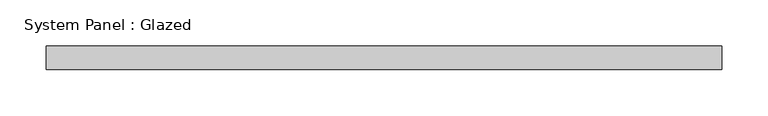
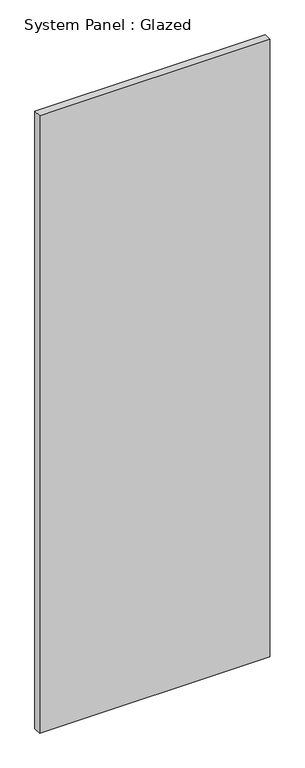
"""IFC4 building model written with IfcOpenShell, lengths in millimetres: plate geometry, System Panel : Glazed."""

from ifc_helpers import new_model, si_unit, origin, origin_with_axes, place, context, project, spatial, polyline, outline, extrude, source, transform, mapped, element, save


def system_panel_glazed_0fdce54a(model_context):
    return source(origin(), model_context, "Body", "SweptSolid", [
        extrude(outline(polyline([(366.1833333, -44.45), (-366.1833333, -44.45), (-366.1833333, -19.05), (366.1833333, -19.05), (366.1833333, -44.45)])), origin_with_axes(), (0.0, 0.0, 1.0), 2076.45),
    ])


if __name__ == "__main__":
    model = new_model("IFC4")
    model_context = context("Model", 3, world=origin())
    ifc_project = project(units=[si_unit("LENGTHUNIT", "METRE", prefix="MILLI")], contexts=[model_context])
    site = spatial("IfcSite", under=ifc_project)
    building = spatial("IfcBuilding", under=site)
    placement = place(None, origin())
    system_panel_glazed_shape = system_panel_glazed_0fdce54a(model_context)
    element("IfcPlate", 1, ObjectType="System Panel : Glazed", at=placement, inside=building, context=model_context, shape_type="MappedRepresentation", body=[
        mapped(system_panel_glazed_shape, transform((0.0, 0.0, 0.0), x_axis=(1.0, 0.0, 0.0), y_axis=(0.0, 1.0, 0.0), z_axis=(0.0, 0.0, 1.0))),
    ])
    save(model, "model.ifc")
